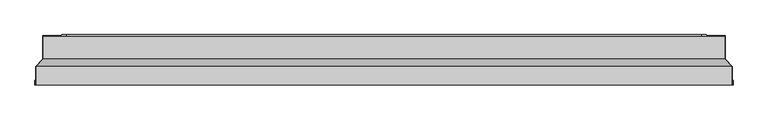
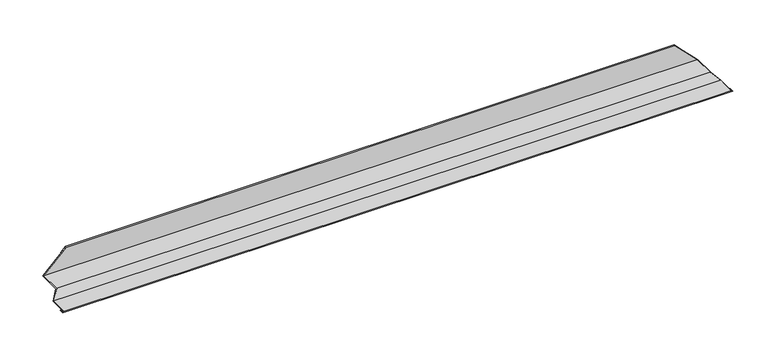
"""IFC4 building model written with IfcOpenShell, lengths in millimetres: proxy geometry."""

from ifc_helpers import new_model, si_unit, origin, place, context, project, spatial, faceted_brep, source, transform, mapped, element, save


def generic_models_2736a1fe(model_context):
    return source(origin(), model_context, "Body", "Brep", [
        faceted_brep([(5.0, -70.2470073, 5.0), (2.0, -70.2470073, 2.0), (1498.0, -70.2470073, 2.0), (1495.0, -70.2470073, 5.0), (5.0, -30.2470073, 5.0), (1495.0, -30.2470073, 5.0), (19.8492424, -14.5866853, 19.8492424), (1480.1507576, -14.5866853, 19.8492424), (19.8492424, 34.9817712, 19.8492424), (1480.1507576, 34.9817712, 19.8492424), (69.8492424, 34.9817712, 69.8492424), (1430.1507576, 34.9817712, 69.8492424), (69.8492424, 37.9817712, 69.8492424), (1430.1507576, 37.9817712, 69.8492424), (59.8492424, 37.9817712, 59.8492424), (1440.1507576, 37.9817712, 59.8492424), (59.8492424, 36.9817712, 59.8492424), (1440.1507576, 36.9817712, 59.8492424), (68.8492424, 36.9817712, 68.8492424), (1431.1507576, 36.9817712, 68.8492424), (68.8492424, 35.9817712, 68.8492424), (1431.1507576, 35.9817712, 68.8492424), (18.8492424, 35.9817712, 18.8492424), (1481.1507576, 35.9817712, 18.8492424), (18.8492424, -14.1701193, 18.8492424), (1481.1507576, -14.1701193, 18.8492424), (4.0, -29.8486151, 4.0), (1496.0, -29.8486151, 4.0), (4.0, -69.2470073, 4.0), (1496.0, -69.2470073, 4.0), (3.0, -69.2470073, 3.0), (1497.0, -69.2470073, 3.0), (3.0, -60.2470073, 3.0), (1497.0, -60.2470073, 3.0), (2.0, -60.2470073, 2.0), (1498.0, -60.2470073, 2.0)], [[[0, 1, 2, 3]], [[4, 0, 3, 5]], [[6, 4, 5, 7]], [[8, 6, 7, 9]], [[10, 8, 9, 11]], [[12, 10, 11, 13]], [[14, 12, 13, 15]], [[16, 14, 15, 17]], [[18, 16, 17, 19]], [[20, 18, 19, 21]], [[22, 20, 21, 23]], [[24, 22, 23, 25]], [[26, 24, 25, 27]], [[28, 26, 27, 29]], [[30, 28, 29, 31]], [[32, 30, 31, 33]], [[34, 32, 33, 35]], [[1, 34, 35, 2]], [[1, 0, 4, 6, 8, 10, 12, 14, 16, 18, 20, 22, 24, 26, 28, 30, 32, 34]], [[3, 2, 35, 33, 31, 29, 27, 25, 23, 21, 19, 17, 15, 13, 11, 9, 7, 5]]]),
    ])


if __name__ == "__main__":
    model = new_model("IFC4")
    model_context = context("Model", 3, world=origin())
    ifc_project = project(units=[si_unit("LENGTHUNIT", "METRE", prefix="MILLI")], contexts=[model_context])
    site = spatial("IfcSite", under=ifc_project)
    building = spatial("IfcBuilding", under=site)
    placement = place(None, origin())
    generic_models_shape = generic_models_2736a1fe(model_context)
    element("IfcBuildingElementProxy", 1, Name="Generic Models", at=placement, inside=building, context=model_context, shape_type="MappedRepresentation", body=[
        mapped(generic_models_shape, transform((0.0, 0.0, 0.0), x_axis=(1.0, 0.0, 0.0), y_axis=(0.0, 1.0, 0.0), z_axis=(0.0, 0.0, 1.0))),
    ])
    save(model, "model.ifc")
